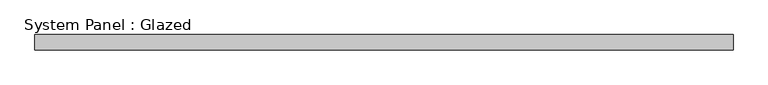
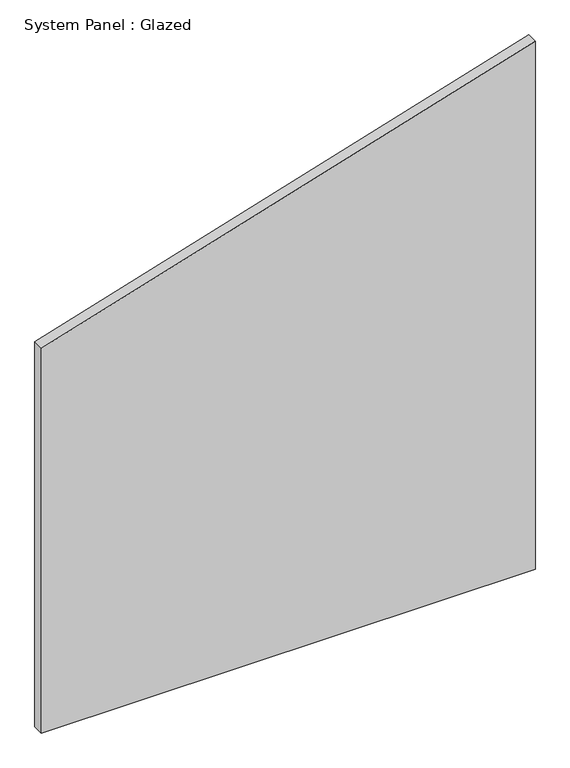
"""IFC4 building model written with IfcOpenShell, lengths in millimetres: plate geometry, System Panel : Glazed."""

from ifc_helpers import new_model, si_unit, frame, origin, place, context, project, spatial, polyline, outline, extrude, source, transform, mapped, element, save


def system_panel_glazed_ee377b34(model_context):
    return source(origin(), model_context, "Body", "SweptSolid", [
        extrude(outline(polyline([(0.0, -573.8563296), (0.0, 573.8563296), (1296.4980736, 573.8563296), (944.6214855, -573.8563296), (0.0, -573.8563296)])), frame((0.0, 19.05, 0.0), z_axis=(0.0, 1.0, 0.0), x_axis=(0.0, 0.0, 1.0)), (0.0, 0.0, 1.0), 25.4),
    ])


if __name__ == "__main__":
    model = new_model("IFC4")
    model_context = context("Model", 3, world=origin())
    ifc_project = project(units=[si_unit("LENGTHUNIT", "METRE", prefix="MILLI")], contexts=[model_context])
    site = spatial("IfcSite", under=ifc_project)
    building = spatial("IfcBuilding", under=site)
    placement = place(None, origin())
    system_panel_glazed_shape = system_panel_glazed_ee377b34(model_context)
    element("IfcPlate", 1, ObjectType="System Panel : Glazed", at=placement, inside=building, context=model_context, shape_type="MappedRepresentation", body=[
        mapped(system_panel_glazed_shape, transform((0.0, 0.0, 0.0), x_axis=(1.0, 0.0, 0.0), y_axis=(0.0, 1.0, 0.0), z_axis=(0.0, 0.0, 1.0))),
    ])
    save(model, "model.ifc")
